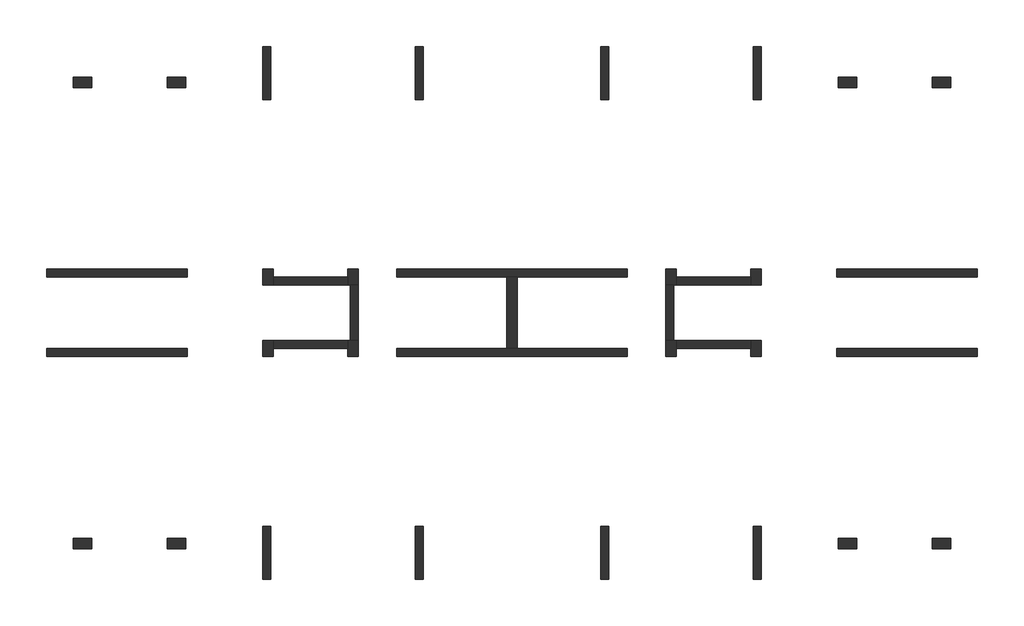
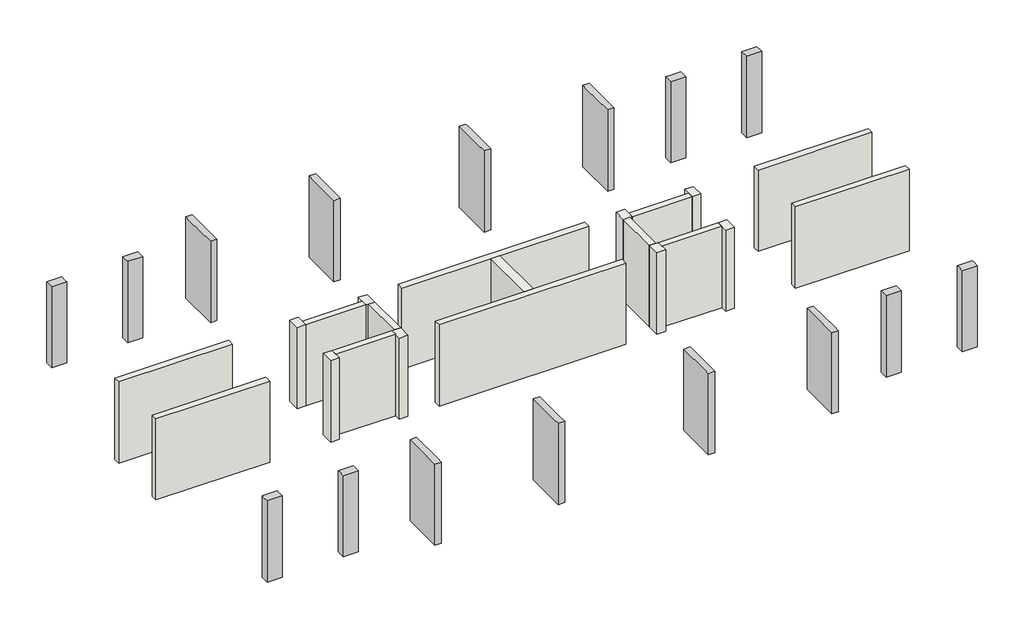
# One storey: 21 walls, 16 columns.
"""IFC4 building model written with IfcOpenShell, lengths in millimetres."""

from ifc_helpers import new_model, si_unit, frame, origin, place, context, project, spatial, polyline, outline, extrude, faceted_brep, element, save

model = new_model("IFC4")

# Units and contexts
model_context = context("Model", 3, world=origin())
ifc_project = project(units=[si_unit("LENGTHUNIT", "METRE", prefix="MILLI")], contexts=[model_context])

# Site, building, storey
site = spatial("IfcSite", under=ifc_project)
building = spatial("IfcBuilding", under=site)
storey = spatial("IfcBuildingStorey", under=building, Elevation=-1000.0)

# Columns
placement = place(None, origin())
element("IfcColumn", 1, ObjectType="0700x0400mm", at=placement, inside=storey, context=model_context, shape_type="Brep", body=[
    faceted_brep([(-12013.9481409, 10863.7341838, -1000.0), (-12013.9481409, 10463.7341838, -1000.0), (-12713.9481409, 10463.7341838, -1000.0), (-12713.9481409, 10863.7341838, -1000.0), (-12013.9481409, 10863.7341838, 2750.0), (-12013.9481409, 10863.7341838, 3000.0), (-12013.9481409, 10463.7341838, 3000.0), (-12013.9481409, 10463.7341838, 2750.0), (-12713.9481409, 10463.7341838, 3000.0), (-12713.9481409, 10463.7341838, 2750.0), (-12713.9481409, 10563.7341669, 3000.0), (-12713.9481409, 10863.7341838, 3000.0)], [[[0, 1, 2, 3]], [[1, 0, 4, 5, 6, 7]], [[2, 1, 7, 6, 8, 9]], [[3, 2, 9, 8, 10, 11]], [[0, 3, 11, 5, 4]], [[6, 5, 11, 10, 8]]]),
])
element("IfcColumn", 2, ObjectType="0700x0400mm", at=placement, inside=storey, context=model_context, shape_type="Brep", body=[
    faceted_brep([(-15563.9481409, 10863.7341838, -1000.0), (-15563.9481409, 10463.7341838, -1000.0), (-16263.9481409, 10463.7341838, -1000.0), (-16263.9481409, 10863.7341838, -1000.0), (-15563.9481409, 10863.7341838, 3000.0), (-15563.9481409, 10563.7341669, 3000.0), (-15563.9481409, 10463.7341838, 3000.0), (-15563.9481409, 10463.7341838, 2750.0), (-16263.9481409, 10463.7341838, 3000.0), (-16263.9481409, 10463.7341838, 2750.0), (-16263.9481409, 10563.7341669, 3000.0), (-16263.9481409, 10863.7341838, 3000.0)], [[[0, 1, 2, 3]], [[1, 0, 4, 5, 6, 7]], [[2, 1, 7, 6, 8, 9]], [[3, 2, 9, 8, 10, 11]], [[0, 3, 11, 4]], [[8, 6, 5, 4, 11, 10]]]),
])
element("IfcColumn", 3, ObjectType="0700x0400mm", at=placement, inside=storey, context=model_context, shape_type="Brep", body=[
    faceted_brep([(-15563.9481409, -6536.2657952, -1000.0), (-15563.9481409, -6936.2657952, -1000.0), (-16263.9481409, -6936.2657952, -1000.0), (-16263.9481409, -6536.2657952, -1000.0), (-15563.9481409, -6536.2657952, 2750.0), (-15563.9481409, -6536.2657952, 3000.0), (-15563.9481409, -6636.2657952, 3000.0), (-15563.9481409, -6936.2657952, 3000.0), (-16263.9481409, -6936.2657952, 3000.0), (-16263.9481409, -6636.2657952, 3000.0), (-16263.9481409, -6536.2657952, 3000.0), (-16263.9481409, -6536.2657952, 2750.0)], [[[0, 1, 2, 3]], [[1, 0, 4, 5, 6, 7]], [[2, 1, 7, 8]], [[3, 2, 8, 9, 10, 11]], [[0, 3, 11, 10, 5, 4]], [[8, 7, 6, 5, 10, 9]]]),
])
element("IfcColumn", 4, ObjectType="0700x0400mm", at=placement, inside=storey, context=model_context, shape_type="Brep", body=[
    faceted_brep([(-12013.9481409, -6536.2657952, -1000.0), (-12013.9481409, -6936.2657952, -1000.0), (-12713.9481409, -6936.2657952, -1000.0), (-12713.9481409, -6536.2657952, -1000.0), (-12013.9481409, -6536.2657952, 2750.0), (-12013.9481409, -6536.2657952, 3000.0), (-12013.9481409, -6936.2657952, 3000.0), (-12013.9481409, -6936.2657952, 2750.0), (-12713.9481409, -6936.2657952, 3000.0), (-12713.9481409, -6636.2657952, 3000.0), (-12713.9481409, -6536.2657952, 3000.0), (-12713.9481409, -6536.2657952, 2750.0)], [[[0, 1, 2, 3]], [[1, 0, 4, 5, 6, 7]], [[2, 1, 7, 6, 8]], [[3, 2, 8, 9, 10, 11]], [[0, 3, 11, 10, 5, 4]], [[6, 5, 10, 9, 8]]]),
])
element("IfcColumn", 5, ObjectType="0700x0400mm", at=placement, inside=storey, context=model_context, shape_type="Brep", body=[
    faceted_brep([(13286.0513856, -6536.2657952, -1000.0), (13286.0513856, -6936.2657952, -1000.0), (12586.0513856, -6936.2657952, -1000.0), (12586.0513856, -6536.2657952, -1000.0), (13286.0513856, -6536.2657952, 2750.0), (13286.0513856, -6536.2657952, 3000.0), (13286.0513856, -6636.2658004, 3000.0), (13286.0513856, -6936.2657952, 3000.0), (12586.0513856, -6936.2657952, 3000.0), (12586.0513856, -6936.2657952, 2750.0), (12586.0513856, -6536.2657952, 3000.0), (12586.0513856, -6536.2657952, 2750.0)], [[[0, 1, 2, 3]], [[1, 0, 4, 5, 6, 7]], [[2, 1, 7, 8, 9]], [[3, 2, 9, 8, 10, 11]], [[0, 3, 11, 10, 5, 4]], [[8, 7, 6, 5, 10]]]),
])
element("IfcColumn", 6, ObjectType="0700x0400mm", at=placement, inside=storey, context=model_context, shape_type="Brep", body=[
    faceted_brep([(16836.0513856, -6536.2657952, -1000.0), (16836.0513856, -6936.2657952, -1000.0), (16136.0513856, -6936.2657952, -1000.0), (16136.0513856, -6536.2657952, -1000.0), (16836.0513856, -6536.2657952, 2750.0), (16836.0513856, -6536.2657952, 3000.0), (16836.0513856, -6636.2658004, 3000.0), (16836.0513856, -6936.2657952, 3000.0), (16136.0513856, -6936.2657952, 3000.0), (16136.0513856, -6636.2658004, 3000.0), (16136.0513856, -6536.2657952, 3000.0), (16136.0513856, -6536.2657952, 2750.0)], [[[0, 1, 2, 3]], [[1, 0, 4, 5, 6, 7]], [[2, 1, 7, 8]], [[3, 2, 8, 9, 10, 11]], [[0, 3, 11, 10, 5, 4]], [[8, 7, 6, 5, 10, 9]]]),
])
element("IfcColumn", 7, ObjectType="0700x0400mm", at=placement, inside=storey, context=model_context, shape_type="Brep", body=[
    faceted_brep([(16836.0513856, 10863.7341838, -1000.0), (16836.0513856, 10463.7341838, -1000.0), (16136.0513856, 10463.7341838, -1000.0), (16136.0513856, 10863.7341838, -1000.0), (16836.0513856, 10863.7341838, 2750.0), (16836.0513856, 10863.7341838, 3000.0), (16836.0513856, 10463.7341838, 3000.0), (16136.0513856, 10463.7341838, 3000.0), (16136.0513856, 10863.7341838, 3000.0), (16136.0513856, 10863.7341838, 2750.0)], [[[0, 1, 2, 3]], [[1, 0, 4, 5, 6]], [[2, 1, 6, 7]], [[3, 2, 7, 8, 9]], [[0, 3, 9, 8, 5, 4]], [[6, 5, 8, 7]]]),
])
element("IfcColumn", 8, ObjectType="0700x0400mm", at=placement, inside=storey, context=model_context, shape_type="Brep", body=[
    faceted_brep([(13286.0513856, 10863.7341838, -1000.0), (13286.0513856, 10463.7341838, -1000.0), (12586.0513856, 10463.7341838, -1000.0), (12586.0513856, 10863.7341838, -1000.0), (13286.0513856, 10863.7341838, 2750.0), (13286.0513856, 10863.7341838, 3000.0), (13286.0513856, 10463.7341838, 3000.0), (12586.0513856, 10463.7341838, 3000.0), (12586.0513856, 10863.7341838, 3000.0), (12886.0511489, 10863.7341838, 3000.0)], [[[0, 1, 2, 3]], [[1, 0, 4, 5, 6]], [[2, 1, 6, 7]], [[3, 2, 7, 8]], [[0, 3, 8, 9, 5, 4]], [[6, 5, 9, 8, 7]]]),
])
element("IfcColumn", 9, ObjectType="2000x0300mm", at=placement, inside=storey, context=model_context, shape_type="Brep", body=[
    faceted_brep([(-9113.9486144, 12013.7341837, -1000.0), (-8813.9486144, 12013.7341837, -1000.0), (-8813.9486144, 10013.7341837, -1000.0), (-9113.9486144, 10013.7341837, -1000.0), (-9113.9486144, 12013.7341837, 3000.0), (-8813.9486144, 12013.7341837, 3000.0), (-8813.9486144, 11713.7202124, 3000.0), (-8813.9486144, 10013.7341837, 3000.0), (-8813.9486144, 10013.7341837, 2750.0), (-9113.9486144, 10013.7341837, 3000.0), (-9113.9486144, 10013.7341837, 2750.0), (-9113.9486144, 11713.7202124, 3000.0)], [[[0, 1, 2, 3]], [[1, 0, 4, 5]], [[2, 1, 5, 6, 7, 8]], [[3, 2, 8, 7, 9, 10]], [[0, 3, 10, 9, 11, 4]], [[5, 4, 11, 9, 7, 6]]]),
])
element("IfcColumn", 10, ObjectType="2000x0300mm", at=placement, inside=storey, context=model_context, shape_type="Brep", body=[
    faceted_brep([(-3363.9486144, 12013.7341837, -1000.0), (-3063.9486144, 12013.7341837, -1000.0), (-3063.9486144, 10013.7341837, -1000.0), (-3363.9486144, 10013.7341837, -1000.0), (-3363.9486144, 12013.7341837, 3000.0), (-3063.9486144, 12013.7341837, 3000.0), (-3063.9486144, 10563.7341808, 3000.0), (-3063.9486144, 10013.7341837, 3000.0), (-3063.9486144, 10013.7341837, 2750.0), (-3363.9486144, 10013.7341837, 3000.0), (-3363.9486144, 10013.7341837, 2750.0), (-3363.9486144, 11713.7202124, 3000.0)], [[[0, 1, 2, 3]], [[1, 0, 4, 5]], [[2, 1, 5, 6, 7, 8]], [[3, 2, 8, 7, 9, 10]], [[0, 3, 10, 9, 11, 4]], [[5, 4, 11, 9, 7, 6]]]),
])
element("IfcColumn", 11, ObjectType="2000x0300mm", at=placement, inside=storey, context=model_context, shape_type="Brep", body=[
    faceted_brep([(9386.0513856, 12013.7341837, -1000.0), (9686.0513856, 12013.7341837, -1000.0), (9686.0513856, 10013.7341837, -1000.0), (9386.0513856, 10013.7341837, -1000.0), (9386.0513856, 12013.7341837, 3000.0), (9686.0513856, 12013.7341837, 3000.0), (9686.0513856, 11713.7202124, 3000.0), (9686.0513856, 10013.7341837, 3000.0), (9686.0513856, 10013.7341837, 2750.0), (9386.0513856, 10013.7341837, 3000.0), (9386.0513856, 10013.7341837, 2750.0), (9386.0513856, 11713.7202124, 3000.0)], [[[0, 1, 2, 3]], [[1, 0, 4, 5]], [[2, 1, 5, 6, 7, 8]], [[3, 2, 8, 7, 9, 10]], [[0, 3, 10, 9, 11, 4]], [[5, 4, 11, 9, 7, 6]]]),
])
element("IfcColumn", 12, ObjectType="2000x0300mm", at=placement, inside=storey, context=model_context, shape_type="Brep", body=[
    faceted_brep([(3636.0846397, 12013.7341837, -1000.0), (3936.0846397, 12013.7341837, -1000.0), (3936.0846397, 10013.7341837, -1000.0), (3636.0846397, 10013.7341837, -1000.0), (3636.0846397, 12013.7341837, 3000.0), (3936.0846397, 12013.7341837, 3000.0), (3936.0846397, 11713.7202124, 3000.0), (3936.0846397, 10013.7341837, 3000.0), (3936.0846397, 10013.7341837, 2750.0), (3636.0846397, 10013.7341837, 3000.0), (3636.0846397, 10013.7341837, 2750.0), (3636.0846397, 10563.7341808, 3000.0)], [[[0, 1, 2, 3]], [[1, 0, 4, 5]], [[2, 1, 5, 6, 7, 8]], [[3, 2, 8, 7, 9, 10]], [[0, 3, 10, 9, 11, 4]], [[5, 4, 11, 9, 7, 6]]]),
])
element("IfcColumn", 13, ObjectType="2000x0300mm", at=placement, inside=storey, context=model_context, shape_type="Brep", body=[
    faceted_brep([(-9113.9486144, -6086.2657952, -1000.0), (-8813.9486144, -6086.2657952, -1000.0), (-8813.9486144, -8086.2657952, -1000.0), (-9113.9486144, -8086.2657952, -1000.0), (-9113.9486144, -6086.2657952, 2750.0), (-9113.9486144, -6086.2657952, 3000.0), (-8813.9486144, -6086.2657952, 3000.0), (-8813.9486144, -6086.2657952, 2750.0), (-8813.9486144, -7786.2657952, 3000.0), (-8813.9486144, -8086.2657952, 3000.0), (-9113.9486144, -8086.2657952, 3000.0), (-9113.9486144, -7786.2657952, 3000.0)], [[[0, 1, 2, 3]], [[1, 0, 4, 5, 6, 7]], [[2, 1, 7, 6, 8, 9]], [[3, 2, 9, 10]], [[0, 3, 10, 11, 5, 4]], [[6, 5, 11, 10, 9, 8]]]),
])
element("IfcColumn", 14, ObjectType="2000x0300mm", at=placement, inside=storey, context=model_context, shape_type="Brep", body=[
    faceted_brep([(-3363.9486144, -6086.2657952, -1000.0), (-3063.9486144, -6086.2657952, -1000.0), (-3063.9486144, -8086.2657952, -1000.0), (-3363.9486144, -8086.2657952, -1000.0), (-3363.9486144, -6086.2657952, 2750.0), (-3363.9486144, -6086.2657952, 3000.0), (-3063.9486144, -6086.2657952, 3000.0), (-3063.9486144, -6086.2657952, 2750.0), (-3063.9486144, -7786.2657952, 3000.0), (-3063.9486144, -8086.2657952, 3000.0), (-3363.9486144, -8086.2657952, 3000.0), (-3363.9486144, -7786.2657952, 3000.0)], [[[0, 1, 2, 3]], [[1, 0, 4, 5, 6, 7]], [[2, 1, 7, 6, 8, 9]], [[3, 2, 9, 10]], [[0, 3, 10, 11, 5, 4]], [[6, 5, 11, 10, 9, 8]]]),
])
element("IfcColumn", 15, ObjectType="2000x0300mm", at=placement, inside=storey, context=model_context, shape_type="Brep", body=[
    faceted_brep([(9386.0513856, -6086.2657952, -1000.0), (9686.0513856, -6086.2657952, -1000.0), (9686.0513856, -8086.2657952, -1000.0), (9386.0513856, -8086.2657952, -1000.0), (9386.0513856, -6086.2657952, 2750.0), (9386.0513856, -6086.2657952, 3000.0), (9686.0513856, -6086.2657952, 3000.0), (9686.0513856, -6086.2657952, 2750.0), (9686.0513856, -7786.2657952, 3000.0), (9686.0513856, -8086.2657952, 3000.0), (9386.0513856, -8086.2657952, 3000.0), (9386.0513856, -7786.2657952, 3000.0)], [[[0, 1, 2, 3]], [[1, 0, 4, 5, 6, 7]], [[2, 1, 7, 6, 8, 9]], [[3, 2, 9, 10]], [[0, 3, 10, 11, 5, 4]], [[6, 5, 11, 10, 9, 8]]]),
])
element("IfcColumn", 16, ObjectType="2000x0300mm", at=placement, inside=storey, context=model_context, shape_type="Brep", body=[
    faceted_brep([(3636.0846397, -6086.2657952, -1000.0), (3936.0846397, -6086.2657952, -1000.0), (3936.0846397, -8086.2657952, -1000.0), (3636.0846397, -8086.2657952, -1000.0), (3636.0846397, -6086.2657952, 2750.0), (3636.0846397, -6086.2657952, 3000.0), (3936.0846397, -6086.2657952, 3000.0), (3936.0846397, -6086.2657952, 2750.0), (3936.0846397, -7786.2657952, 3000.0), (3936.0846397, -8086.2657952, 3000.0), (3636.0846397, -8086.2657952, 3000.0), (3636.0846397, -7786.2657952, 3000.0)], [[[0, 1, 2, 3]], [[1, 0, 4, 5, 6, 7]], [[2, 1, 7, 6, 8, 9]], [[3, 2, 9, 10]], [[0, 3, 10, 11, 5, 4]], [[6, 5, 11, 10, 9, 8]]]),
])

# Walls
element("IfcWall", 17, at=placement, inside=storey, context=model_context, shape_type="SweptSolid", body=[
    extrude(outline(polyline([(-11963.9481409, 3313.7341847), (-17263.9481409, 3313.7341847), (-17263.9481409, 3613.7341847), (-11963.9481409, 3613.7341847), (-11963.9481409, 3313.7341847)])), frame((0.0, 0.0, -1000.0), z_axis=(0.0, 0.0, 1.0), x_axis=(1.0, 0.0, 0.0)), (0.0, 0.0, 1.0), 4000.0),
])
element("IfcWall", 18, at=placement, inside=storey, context=model_context, shape_type="Brep", body=[
    faceted_brep([(-17263.9481409, 313.7342048, -1000.0), (-11963.9481409, 313.7342048, -1000.0), (-11963.9481409, 313.7342048, 3000.0), (-17263.9481409, 313.7342048, 3000.0), (-17263.9481409, 313.7342048, 2500.0), (-17263.9481409, 613.7342048, -1000.0), (-17263.9481409, 613.7342048, 2500.0), (-17263.9481409, 613.7342048, 3000.0), (-11963.9481409, 613.7342048, 3000.0), (-11963.9481409, 613.7342048, -1000.0)], [[[0, 1, 2, 3, 4]], [[5, 6, 7, 8, 9]], [[1, 0, 5, 9]], [[2, 1, 9, 8]], [[3, 2, 8, 7]], [[0, 4, 3, 7, 6, 5]]]),
])
element("IfcWall", 19, at=placement, inside=storey, context=model_context, shape_type="SweptSolid", body=[
    extrude(outline(polyline([(-5913.9408939, 3013.7471696), (-8713.9486144, 3013.7471696), (-8713.9486144, 3313.7471696), (-5913.9408939, 3313.7471696), (-5913.9408939, 3013.7471696)])), frame((0.0, 0.0, -1000.0), z_axis=(0.0, 0.0, 1.0), x_axis=(1.0, 0.0, 0.0)), (0.0, 0.0, 1.0), 4000.0),
])
element("IfcWall", 20, at=placement, inside=storey, context=model_context, shape_type="SweptSolid", body=[
    extrude(outline(polyline([(-5813.9470928, 913.7303849), (-5813.9470928, 3013.7471696), (-5513.9470928, 3013.7471696), (-5513.9470928, 913.7303849), (-5813.9470928, 913.7303849)])), frame((0.0, 0.0, -1000.0), z_axis=(0.0, 0.0, 1.0), x_axis=(1.0, 0.0, 0.0)), (0.0, 0.0, 1.0), 4000.0),
])
element("IfcWall", 21, at=placement, inside=storey, context=model_context, shape_type="SweptSolid", body=[
    extrude(outline(polyline([(-8713.9486144, 913.7303849), (-5913.9408939, 913.7303849), (-5913.9408939, 613.7303849), (-8713.9486144, 613.7303849), (-8713.9486144, 913.7303849)])), frame((0.0, 0.0, -1000.0), z_axis=(0.0, 0.0, 1.0), x_axis=(1.0, 0.0, 0.0)), (0.0, 0.0, 1.0), 4000.0),
])
element("IfcWall", 22, at=placement, inside=storey, context=model_context, shape_type="SweptSolid", body=[
    extrude(outline(polyline([(4636.0514302, 3313.7341837), (-4063.9498095, 3313.7341837), (-4063.9498095, 3613.7341837), (4636.0514302, 3613.7341837), (4636.0514302, 3313.7341837)])), frame((0.0, 0.0, -1000.0), z_axis=(0.0, 0.0, 1.0), x_axis=(1.0, 0.0, 0.0)), (0.0, 0.0, 1.0), 4000.0),
])
element("IfcWall", 23, at=placement, inside=storey, context=model_context, shape_type="SweptSolid", body=[
    extrude(outline(polyline([(4636.0514302, 313.7342048), (-4063.9498095, 313.7342048), (-4063.9498095, 613.7342048), (4636.0514302, 613.7342048), (4636.0514302, 313.7342048)])), frame((0.0, 0.0, -1000.0), z_axis=(0.0, 0.0, 1.0), x_axis=(1.0, 0.0, 0.0)), (0.0, 0.0, 1.0), 4000.0),
])
element("IfcWall", 24, at=placement, inside=storey, context=model_context, shape_type="SweptSolid", body=[
    extrude(outline(polyline([(6486.0513856, 3313.7509789), (9286.0515745, 3313.7509789), (9286.0515745, 3013.7509789), (6486.0513856, 3013.7509789), (6486.0513856, 3313.7509789)])), frame((0.0, 0.0, -1000.0), z_axis=(0.0, 0.0, 1.0), x_axis=(1.0, 0.0, 0.0)), (0.0, 0.0, 1.0), 4000.0),
])
element("IfcWall", 25, at=placement, inside=storey, context=model_context, shape_type="SweptSolid", body=[
    extrude(outline(polyline([(6086.0513856, 914.2296306), (6086.0513856, 3013.7509789), (6386.0513856, 3013.7509789), (6386.0513856, 914.2296306), (6086.0513856, 914.2296306)])), frame((0.0, 0.0, -1000.0), z_axis=(0.0, 0.0, 1.0), x_axis=(1.0, 0.0, 0.0)), (0.0, 0.0, 1.0), 4000.0),
])
element("IfcWall", 26, at=placement, inside=storey, context=model_context, shape_type="SweptSolid", body=[
    extrude(outline(polyline([(9286.0515745, 613.7391534), (6486.0513856, 613.7391534), (6486.0513856, 913.7391534), (9286.0515745, 913.7391534), (9286.0515745, 613.7391534)])), frame((0.0, 0.0, -1000.0), z_axis=(0.0, 0.0, 1.0), x_axis=(1.0, 0.0, 0.0)), (0.0, 0.0, 1.0), 4000.0),
])
element("IfcWall", 27, at=placement, inside=storey, context=model_context, shape_type="Brep", body=[
    faceted_brep([(12536.0513856, 3313.7341837, -1000.0), (17836.0513856, 3313.7341837, -1000.0), (17836.0513856, 3313.7341837, 2500.0), (17836.0513856, 3313.7341837, 3000.0), (12536.0513856, 3313.7341837, 3000.0), (12536.0513856, 3313.7341837, 2500.0), (12536.0513856, 3613.7341837, -1000.0), (12536.0513856, 3613.7341837, 2500.0), (12536.0513856, 3613.7341837, 3000.0), (17836.0513856, 3613.7341837, 3000.0), (17836.0513856, 3613.7341837, 2500.0), (17836.0513856, 3613.7341837, -1000.0)], [[[0, 1, 2, 3, 4, 5]], [[6, 7, 8, 9, 10, 11]], [[1, 0, 6, 11]], [[3, 2, 1, 11, 10, 9]], [[4, 3, 9, 8]], [[0, 5, 4, 8, 7, 6]]]),
])
element("IfcWall", 28, at=placement, inside=storey, context=model_context, shape_type="SweptSolid", body=[
    extrude(outline(polyline([(17836.0513856, 313.7342048), (12536.0513856, 313.7342048), (12536.0513856, 613.7342048), (17836.0513856, 613.7342048), (17836.0513856, 313.7342048)])), frame((0.0, 0.0, -1000.0), z_axis=(0.0, 0.0, 1.0), x_axis=(1.0, 0.0, 0.0)), (0.0, 0.0, 1.0), 4000.0),
])
element("IfcWall", 29, at=placement, inside=storey, context=model_context, shape_type="Brep", body=[
    faceted_brep([(-9113.9486144, 3613.7341837, -1000.0), (-9113.9486144, 3013.7471696, -1000.0), (-9113.9486144, 3013.7471696, 2500.0), (-9113.9486144, 3013.7471696, 3000.0), (-9113.9486144, 3613.7341837, 3000.0), (-8713.9486144, 3613.7341837, -1000.0), (-8713.9486144, 3613.7341837, 3000.0), (-8713.9486144, 3013.7471696, 3000.0), (-8713.9486144, 3013.7471696, -1000.0), (-8813.9486144, 3013.7471696, 3000.0)], [[[0, 1, 2, 3, 4]], [[5, 6, 7, 8]], [[1, 0, 5, 8]], [[3, 2, 1, 8, 7, 9]], [[4, 3, 9, 7, 6]], [[0, 4, 6, 5]]]),
])
element("IfcWall", 30, at=placement, inside=storey, context=model_context, shape_type="Brep", body=[
    faceted_brep([(-5913.9408939, 3613.7341837, -1000.0), (-5913.9408939, 3013.7471696, -1000.0), (-5913.9408939, 3013.7471696, 3000.0), (-5913.9408939, 3613.7341837, 3000.0), (-5513.9408939, 3613.7341837, -1000.0), (-5513.9408939, 3613.7341837, 3000.0), (-5513.9408939, 3313.7341986, 3000.0), (-5513.9408939, 3013.7471696, 3000.0), (-5513.9408939, 3013.7471696, -1000.0), (-5813.9470928, 3013.7471696, -1000.0), (-5813.9470928, 3013.7471696, 3000.0)], [[[0, 1, 2, 3]], [[4, 5, 6, 7, 8]], [[1, 0, 4, 8, 9]], [[2, 1, 9, 8, 7, 10]], [[3, 2, 10, 7, 6, 5]], [[0, 3, 5, 4]]]),
])
element("IfcWall", 31, at=placement, inside=storey, context=model_context, shape_type="Brep", body=[
    faceted_brep([(-5513.9408939, 313.7342048, -1000.0), (-5513.9408939, 913.7303849, -1000.0), (-5513.9408939, 913.7303849, 3000.0), (-5513.9408939, 313.7342048, 3000.0), (-5913.9408939, 313.7342048, -1000.0), (-5913.9408939, 313.7342048, 3000.0), (-5913.9408939, 913.7303849, 3000.0), (-5913.9408939, 913.7303849, -1000.0), (-5813.9470928, 913.7303849, -1000.0), (-5813.9470928, 913.7303849, 3000.0)], [[[0, 1, 2, 3]], [[4, 5, 6, 7]], [[1, 0, 4, 7, 8]], [[2, 1, 8, 7, 6, 9]], [[3, 2, 9, 6, 5]], [[0, 3, 5, 4]]]),
])
element("IfcWall", 32, at=placement, inside=storey, context=model_context, shape_type="Brep", body=[
    faceted_brep([(-9113.9486144, 913.7303849, -1000.0), (-9113.9486144, 313.7342048, -1000.0), (-9113.9486144, 313.7342048, 3000.0), (-9113.9486144, 913.7303849, 3000.0), (-9113.9486144, 913.7303849, 2500.0), (-8713.9486144, 913.7303849, -1000.0), (-8713.9486144, 913.7303849, 3000.0), (-8713.9486144, 313.7342048, 3000.0), (-8713.9486144, 313.7342048, -1000.0), (-8813.9486144, 913.7303849, 3000.0)], [[[0, 1, 2, 3, 4]], [[5, 6, 7, 8]], [[1, 0, 5, 8]], [[2, 1, 8, 7]], [[3, 2, 7, 6, 9]], [[0, 4, 3, 9, 6, 5]]]),
])
element("IfcWall", 33, at=placement, inside=storey, context=model_context, shape_type="SweptSolid", body=[
    extrude(outline(polyline([(86.0497613, 613.7391534), (86.0497613, 3313.7341837), (486.0497613, 3313.7341837), (486.0497613, 613.7391534), (86.0497613, 613.7391534)])), frame((0.0, 0.0, -1000.0), z_axis=(0.0, 0.0, 1.0), x_axis=(1.0, 0.0, 0.0)), (0.0, 0.0, 1.0), 4000.0),
])
element("IfcWall", 34, at=placement, inside=storey, context=model_context, shape_type="SweptSolid", body=[
    extrude(outline(polyline([(6086.0513856, 3013.7509789), (6086.0513856, 3613.7341837), (6486.0513856, 3613.7341837), (6486.0513856, 3013.7509789), (6086.0513856, 3013.7509789)])), frame((0.0, 0.0, -1000.0), z_axis=(0.0, 0.0, 1.0), x_axis=(1.0, 0.0, 0.0)), (0.0, 0.0, 1.0), 4000.0),
])
element("IfcWall", 35, at=placement, inside=storey, context=model_context, shape_type="SweptSolid", body=[
    extrude(outline(polyline([(9286.0515745, 3013.7509789), (9286.0515745, 3613.7341837), (9686.0515745, 3613.7341837), (9686.0515745, 3013.7509789), (9286.0515745, 3013.7509789)])), frame((0.0, 0.0, -1000.0), z_axis=(0.0, 0.0, 1.0), x_axis=(1.0, 0.0, 0.0)), (0.0, 0.0, 1.0), 4000.0),
])
element("IfcWall", 36, at=placement, inside=storey, context=model_context, shape_type="SweptSolid", body=[
    extrude(outline(polyline([(9286.0515745, 313.7342048), (9286.0515745, 914.2296306), (9686.0515745, 914.2296306), (9686.0515745, 313.7342048), (9286.0515745, 313.7342048)])), frame((0.0, 0.0, -1000.0), z_axis=(0.0, 0.0, 1.0), x_axis=(1.0, 0.0, 0.0)), (0.0, 0.0, 1.0), 4000.0),
])
element("IfcWall", 37, at=placement, inside=storey, context=model_context, shape_type="Brep", body=[
    faceted_brep([(6086.0513856, 914.2296306, -1000.0), (6086.0513856, 313.7342048, -1000.0), (6086.0513856, 313.7342048, 2500.0), (6086.0513856, 313.7342048, 3000.0), (6086.0513856, 613.7342048, 3000.0), (6086.0513856, 914.2296306, 3000.0), (6486.0513856, 914.2296306, -1000.0), (6486.0513856, 914.2296306, 3000.0), (6486.0513856, 313.7342048, 3000.0), (6486.0513856, 313.7342048, -1000.0)], [[[0, 1, 2, 3, 4, 5]], [[6, 7, 8, 9]], [[1, 0, 6, 9]], [[3, 2, 1, 9, 8]], [[5, 4, 3, 8, 7]], [[0, 5, 7, 6]]]),
])

save(model, "model.ifc")
